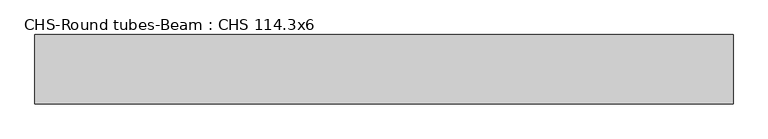
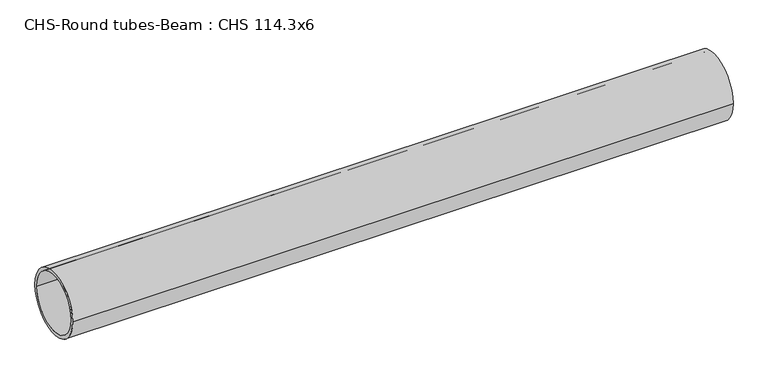
"""IFC4 building model written with IfcOpenShell, lengths in millimetres: beam geometry, CHS-Round tubes-Beam : CHS 114.3x6."""

from ifc_helpers import new_model, si_unit, point, frame, origin, origin_2d, place, context, project, spatial, circle_curve, trimmed, segment, composite_curve, outline, extrude, source, transform, mapped, element, save


def chs_round_tubes_beam_chs_114_3x6_19e1caba(model_context):
    return source(origin(), model_context, "Body", "SweptSolid", [
        extrude(outline(composite_curve([segment(trimmed(circle_curve(origin_2d(), 57.15), [point((57.15, 0.0))], [point((-57.15, 0.0))], False, "CARTESIAN"), True, "CONTINUOUS"), segment(trimmed(circle_curve(origin_2d(), 57.15), [point((-57.15, 0.0))], [point((57.15, 0.0))], False, "CARTESIAN"), True, "CONTINUOUS")], self_intersect=False), holes=[composite_curve([segment(trimmed(circle_curve(origin_2d(), 51.15), [point((51.15, 0.0))], [point((-51.15, 0.0))], True, "CARTESIAN"), True, "CONTINUOUS"), segment(trimmed(circle_curve(origin_2d(), 51.15), [point((-51.15, 0.0))], [point((51.15, 0.0))], True, "CARTESIAN"), True, "CONTINUOUS")], self_intersect=False)]), frame((-631.6737697, 0.0, 0.0), z_axis=(1.0, 0.0, 0.0), x_axis=(0.0, 1.0, 0.0)), (0.0, 0.0, 1.0), 1149.9402231),
    ])


if __name__ == "__main__":
    model = new_model("IFC4")
    model_context = context("Model", 3, world=origin())
    ifc_project = project(units=[si_unit("LENGTHUNIT", "METRE", prefix="MILLI")], contexts=[model_context])
    site = spatial("IfcSite", under=ifc_project)
    building = spatial("IfcBuilding", under=site)
    placement = place(None, origin())
    chs_round_tubes_beam_chs_114_3x6_shape = chs_round_tubes_beam_chs_114_3x6_19e1caba(model_context)
    element("IfcBeam", 1, ObjectType="CHS-Round tubes-Beam : CHS 114.3x6", at=placement, inside=building, context=model_context, shape_type="MappedRepresentation", body=[
        mapped(chs_round_tubes_beam_chs_114_3x6_shape, transform((0.0, 0.0, 0.0), x_axis=(1.0, 0.0, 0.0), y_axis=(0.0, 1.0, 0.0), z_axis=(0.0, 0.0, 1.0))),
    ])
    save(model, "model.ifc")
